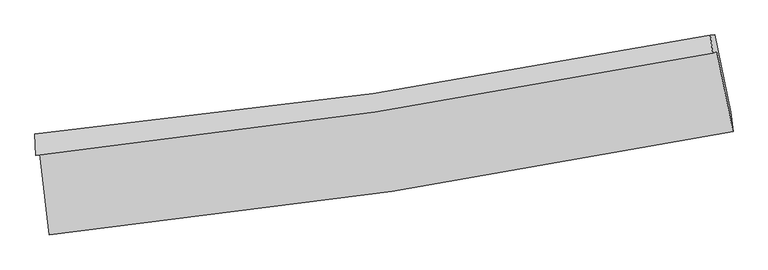
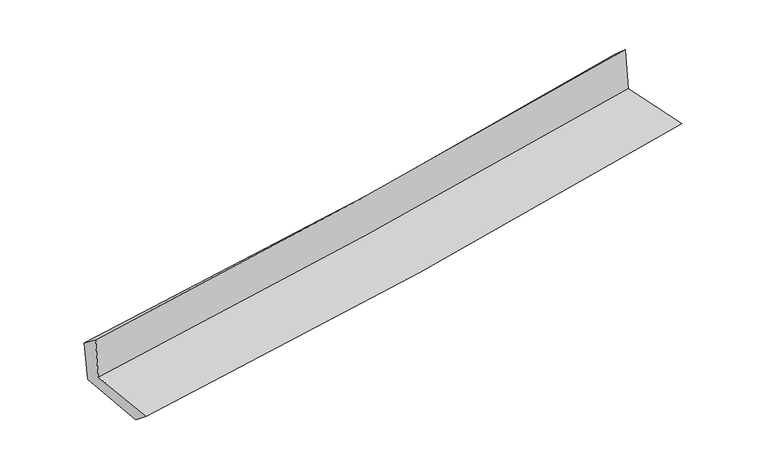
"""IFC4 building model written with IfcOpenShell, lengths in millimetres: proxy geometry."""

from ifc_helpers import new_model, si_unit, frame, origin, place, context, project, spatial, source, transform, mapped, element, save
from ifc_brep_helpers import plane_surface, spline_curve, spline_surface, advanced_brep


def generic_models_ac2fdfbb(model_context):
    return source(origin(), model_context, "Body", "AdvancedBrep", [
        advanced_brep(
        [(-2774.2245121, -1900.0644153, 1659.9888689), (-2698.7471055, -2559.1474566, 1644.7765331), (2854.2830685, -1718.3855673, 2121.2094241), (2722.5255113, -1067.7895177, 2122.8011989), (-2807.3445859, -1912.9705679, 2054.8269257), (2688.1145134, -1081.1987146, 2533.0288941), (-2815.4385626, -1738.6323181, 1923.2747349), (2670.1204459, -933.3925202, 2401.4566617), (-2782.3663522, -1737.9247913, 1544.6562271), (2704.2026327, -932.5266441, 2022.9023051), (-2705.2531896, -2395.2800855, 1508.5425033), (2834.178612, -1561.5530584, 1992.7798368)],
        [
            (0, 1),
            (1, 2, spline_curve(3, [(-2698.7471055, -2559.1474566, 1644.7765331), (-1768.14336179, -2464.323689727, 1730.782097496), (-840.710830811, -2346.973640287, 1813.43843667), (1010.316437459, -2066.841929258, 1972.267577027), (1933.89396477, -1903.938015575, 2048.422201568), (2854.2830685, -1718.3855673, 2121.2094241)], [4, 2, 4], [0.0, 9.189477588750515, 18.40385750521594])),
            (2, 3),
            (3, 0, spline_curve(3, [(2722.5255113, -1067.7895177, 2122.8011989), (1810.157031703, -1248.439632363, 2060.857707749), (895.287103486, -1408.18653139, 1991.255733228), (-936.976406349, -1685.498665934, 1836.943617867), (-1854.356486163, -1803.176732807, 1752.274815731), (-2774.2245121, -1900.0644153, 1659.9888689)], [4, 2, 4], [0.0, 9.214379916465424, 18.40385750521594])),
            (4, 0),
            (3, 5),
            (5, 4, spline_curve(3, [(2688.1145134, -1081.1987146, 2533.0288941), (1776.200632611, -1261.671682149, 2465.665941134), (861.665564858, -1421.288093746, 2392.071959467), (-970.168283297, -1698.432798728, 2232.637669661), (-1887.452915458, -1816.073671633, 2146.830995172), (-2807.3445859, -1912.9705679, 2054.8269257)], [4, 2, 4], [0.0, 9.16669441462059, 18.308615374006564])),
            (6, 4),
            (5, 7),
            (7, 6, spline_curve(3, [(2670.1204459, -933.3925202, 2401.4566617), (1761.574864827, -1117.33185551, 2324.4862804), (849.548909658, -1276.46211329, 2246.096759248), (-978.989546304, -1544.741465126, 2086.695123295), (-1895.483260699, -1654.024472994, 2005.690668985), (-2815.4385626, -1738.6323181, 1923.2747349)], [4, 2, 4], [0.0, 9.155769981735514, 18.286796032068754])),
            (8, 6),
            (7, 9),
            (9, 8, spline_curve(3, [(2704.2026327, -932.5266441, 2022.9023051), (1795.196167166, -1116.506405603, 1949.242348837), (882.855689213, -1275.67008067, 1872.500439655), (-946.018635594, -1544.002177576, 1713.068444568), (-1862.534485808, -1653.304551417, 1630.394994215), (-2782.3663522, -1737.9247913, 1544.6562271)], [4, 2, 4], [0.0, 9.14596660498676, 18.267215772692687])),
            (10, 8),
            (9, 11),
            (11, 10, spline_curve(3, [(2834.178612, -1561.5530584, 1992.7798368), (1916.235636559, -1747.376225731, 1918.309274969), (995.01578523, -1909.827489687, 1840.66198803), (-851.479170071, -2187.610341908, 1679.232396348), (-1776.736585944, -2303.068087122, 1595.467238596), (-2705.2531896, -2395.2800855, 1508.5425033)], [4, 2, 4], [0.0, 9.193196704376202, 18.361548329739446])),
            (1, 10),
            (11, 2),
        ],
        [
            spline_surface(3, 3, [[(-2774.2245121, -1900.0644153, 1659.9888689), (-1854.35648628, -1803.176732842, 1752.274815584), (-936.976406484, -1685.498665929, 1836.94361774), (895.287103622, -1408.186531396, 1991.255733355), (1810.157031636, -1248.43963242, 2060.857707853), (2722.5255113, -1067.7895177, 2122.8011989)], [(-2749.065376566, -2119.758762412, 1654.918090327), (-1825.618778134, -2023.559051768, 1745.110576261), (-904.887881279, -1905.990323998, 1829.108557425), (933.630214944, -1627.738330678, 1984.926347908), (1851.402675964, -1466.939093481, 2056.712539062), (2766.444697032, -1284.654867574, 2122.270607321)], [(-2723.906241034, -2339.453109488, 1649.847311673), (-1796.881069991, -2243.941370659, 1737.946336856), (-872.799356108, -2126.48198215, 1821.273497054), (971.97332623, -1847.290130044, 1978.596962405), (1892.648320296, -1685.438554519, 2052.567370209), (2810.363882768, -1501.520217426, 2121.740015679)], [(-2698.7471055, -2559.1474566, 1644.7765331), (-1768.143361844, -2464.323689585, 1730.782097533), (-840.710830903, -2346.973640219, 1813.438436739), (1010.316437552, -2066.841929326, 1972.267576958), (1933.893964625, -1903.93801558, 2048.422201419), (2854.2830685, -1718.3855673, 2121.2094241)]], [4, 4], [4, 2, 4], [0.0, 2.1942391386937796], [0.0, 9.189477588750515, 18.40385750521594]),
            spline_surface(3, 3, [[(-2807.3445859, -1912.9705679, 2054.8269257), (-1887.452915461, -1816.073671662, 2146.830995122), (-970.16828342, -1698.432798721, 2232.637669579), (861.665564981, -1421.288093753, 2392.071959549), (1776.200632712, -1261.671682257, 2465.665941215), (2688.1145134, -1081.1987146, 2533.0288941)], [(-2796.304561292, -1908.66851701, 1923.214240083), (-1876.420772393, -1811.774692031, 2015.312268593), (-959.104324427, -1694.121421136, 2100.739652299), (872.872744541, -1416.920906313, 2258.466550818), (1787.51943236, -1257.260998964, 2330.729863411), (2699.584846039, -1076.728982286, 2396.286329017)], [(-2785.264536708, -1904.36646619, 1791.601554517), (-1865.388629348, -1807.475712472, 1883.793542114), (-948.040365476, -1689.810043514, 1968.84163502), (884.079924061, -1412.553718836, 2124.861142086), (1798.838231989, -1252.850315713, 2195.793785656), (2711.055178661, -1072.259250014, 2259.543763983)], [(-2774.2245121, -1900.0644153, 1659.9888689), (-1854.35648628, -1803.176732842, 1752.274815584), (-936.976406484, -1685.498665929, 1836.94361774), (895.287103622, -1408.186531396, 1991.255733355), (1810.157031636, -1248.43963242, 2060.857707853), (2722.5255113, -1067.7895177, 2122.8011989)]], [4, 4], [4, 2, 4], [0.0, 1.3119184038174252], [0.0, 9.141920959385974, 18.308615374006564]),
            spline_surface(3, 3, [[(-2815.4385626, -1738.6323181, 1923.2747349), (-1895.483260601, -1654.024472988, 2005.690669016), (-978.989546246, -1544.741465013, 2086.69512336), (849.548909599, -1276.462113403, 2246.096759183), (1761.574864761, -1117.331855442, 2324.486280454), (2670.1204459, -933.3925202, 2401.4566617)], [(-2812.740570369, -1796.74506803, 1967.125465154), (-1892.806478891, -1708.040872543, 2052.737444372), (-976.049125332, -1595.971909579, 2135.342638765), (853.587794697, -1324.737440183, 2294.755159303), (1766.450120748, -1165.445131061, 2371.546167376), (2676.118468403, -982.66125168, 2445.314072501)], [(-2810.042578131, -1854.85781797, 2010.976195446), (-1890.129697171, -1762.057272107, 2099.784219766), (-973.108704333, -1647.202354155, 2183.990154174), (857.626679882, -1373.012766973, 2343.413559429), (1771.325376725, -1213.558406638, 2418.606054293), (2682.116490897, -1031.92998312, 2489.171483299)], [(-2807.3445859, -1912.9705679, 2054.8269257), (-1887.452915461, -1816.073671662, 2146.830995122), (-970.16828342, -1698.432798721, 2232.637669579), (861.665564981, -1421.288093753, 2392.071959549), (1776.200632712, -1261.671682257, 2465.665941215), (2688.1145134, -1081.1987146, 2533.0288941)]], [4, 4], [4, 2, 4], [0.0, 0.6857525410163253], [0.0, 9.13102605033324, 18.286796032068754]),
            spline_surface(3, 3, [[(-2782.3663522, -1737.9247913, 1544.6562271), (-1862.534485714, -1653.304551438, 1630.394994293), (-946.018635491, -1544.002177548, 1713.068444564), (882.85568911, -1275.670080699, 1872.500439659), (1795.196167234, -1116.506405497, 1949.242348709), (2704.2026327, -932.5266441, 2022.9023051)], [(-2793.390422348, -1738.160633581, 1670.862396398), (-1873.517410691, -1653.544525302, 1755.493552565), (-957.008939074, -1544.248606693, 1837.610670807), (871.753429275, -1275.93409159, 1997.032546145), (1783.989066409, -1116.781555465, 2074.323659308), (2692.841903767, -932.815269453, 2149.087090651)], [(-2804.414492452, -1738.396475819, 1797.068565602), (-1884.500335624, -1653.784499124, 1880.592110744), (-967.999242663, -1544.495035868, 1962.152897117), (860.651169434, -1276.198102512, 2121.564652697), (1772.781965585, -1117.056705473, 2199.404969855), (2681.481174833, -933.103894847, 2275.271876149)], [(-2815.4385626, -1738.6323181, 1923.2747349), (-1895.483260601, -1654.024472988, 2005.690669016), (-978.989546246, -1544.741465013, 2086.69512336), (849.548909599, -1276.462113403, 2246.096759183), (1761.574864761, -1117.331855442, 2324.486280454), (2670.1204459, -933.3925202, 2401.4566617)]], [4, 4], [4, 2, 4], [0.0, 1.2305744605654805], [0.0, 9.121249167705926, 18.267215772692687]),
            spline_surface(3, 3, [[(-2705.2531896, -2395.2800855, 1508.5425033), (-1776.736585888, -2303.068087, 1595.46723853), (-851.479169969, -2187.610341911, 1679.232396272), (995.015785128, -1909.827489683, 1840.661988107), (1916.235636438, -1747.376225724, 1918.309274828), (2834.178612, -1561.5530584, 1992.7798368)], [(-2730.95757714, -2176.161654113, 1520.580411233), (-1805.335885837, -2086.480241825, 1607.109823785), (-882.992325119, -1973.074287137, 1690.511079038), (957.629086479, -1698.441686702, 1851.274805293), (1875.889146687, -1537.086285666, 1928.620299442), (2790.853285551, -1351.877586985, 2002.820659554)], [(-2756.66196466, -1957.043222687, 1532.618319167), (-1833.935185765, -1869.892396613, 1618.752409039), (-914.505480341, -1758.538232322, 1701.789761798), (920.242387758, -1487.05588368, 1861.887622473), (1835.542656985, -1326.796345554, 1938.931324095), (2747.527959149, -1142.202115515, 2012.861482346)], [(-2782.3663522, -1737.9247913, 1544.6562271), (-1862.534485714, -1653.304551438, 1630.394994293), (-946.018635491, -1544.002177548, 1713.068444564), (882.85568911, -1275.670080699, 1872.500439659), (1795.196167234, -1116.506405497, 1949.242348709), (2704.2026327, -932.5266441, 2022.9023051)]], [4, 4], [4, 2, 4], [0.0, 2.126022474944216], [0.0, 9.168351625363243, 18.361548329739446]),
            spline_surface(3, 3, [[(-2698.7471055, -2559.1474566, 1644.7765331), (-1768.143361844, -2464.323689585, 1730.782097533), (-840.710830903, -2346.973640219, 1813.438436739), (1010.316437552, -2066.841929326, 1972.267576958), (1933.893964625, -1903.93801558, 2048.422201419), (2854.2830685, -1718.3855673, 2121.2094241)], [(-2700.915800184, -2504.524999554, 1599.365189804), (-1771.007769843, -2410.571822044, 1685.677144503), (-844.300277281, -2293.852540798, 1768.70308992), (1005.216220054, -2014.503782794, 1928.399047344), (1928.007855238, -1851.750752283, 2005.051225878), (2847.581583008, -1666.108064322, 2078.399561656)], [(-2703.084494916, -2449.902542546, 1553.953846596), (-1773.872177889, -2356.819954541, 1640.57219156), (-847.889723591, -2240.731441332, 1723.967743091), (1000.116002626, -1962.165636216, 1884.530517721), (1922.121745825, -1799.563489021, 1961.680250369), (2840.880097492, -1613.830561378, 2035.589699244)], [(-2705.2531896, -2395.2800855, 1508.5425033), (-1776.736585888, -2303.068087, 1595.46723853), (-851.479169969, -2187.610341911, 1679.232396272), (995.015785128, -1909.827489683, 1840.661988107), (1916.235636438, -1747.376225724, 1918.309274828), (2834.178612, -1561.5530584, 1992.7798368)]], [4, 4], [4, 2, 4], [0.0, 0.6791876808533025], [0.0, 9.225804499582827, 18.476609768236962]),
            plane_surface(frame((2745.5707973, -1215.8076704, 2199.0297201), z_axis=(0.9763123580464643, 0.19750488126779278, 0.08835157837383308), x_axis=(-0.08966955405805127, -0.002278102652899124, 0.9959689660442905))),
            plane_surface(frame((-2763.895718, -2040.6699391, 1722.6776322), z_axis=(-0.9899910482578269, -0.1113718503369534, -0.08668353547180814), x_axis=(-0.1137452840977914, 0.99324541151246, 0.022925157686626157))),
        ],
        [
            (0, [[1, 2, 3, 4]]),
            (1, [[5, -4, 6, 7]]),
            (2, [[8, -7, 9, 10]]),
            (3, [[11, -10, 12, 13]]),
            (4, [[14, -13, 15, 16]]),
            (5, [[17, -16, 18, -2]]),
            (6, [[-12, -9, -6, -3, -18, -15]]),
            (7, [[-1, -5, -8, -11, -14, -17]]),
        ],
    ),
    ])


if __name__ == "__main__":
    model = new_model("IFC4")
    model_context = context("Model", 3, world=origin())
    ifc_project = project(units=[si_unit("LENGTHUNIT", "METRE", prefix="MILLI")], contexts=[model_context])
    site = spatial("IfcSite", under=ifc_project)
    building = spatial("IfcBuilding", under=site)
    placement = place(None, origin())
    generic_models_shape = generic_models_ac2fdfbb(model_context)
    element("IfcBuildingElementProxy", 1, Name="Generic Models", at=placement, inside=building, context=model_context, shape_type="MappedRepresentation", body=[
        mapped(generic_models_shape, transform((0.0, 0.0, 0.0), x_axis=(1.0, 0.0, 0.0), y_axis=(0.0, 1.0, 0.0), z_axis=(0.0, 0.0, 1.0))),
    ])
    save(model, "model.ifc")
